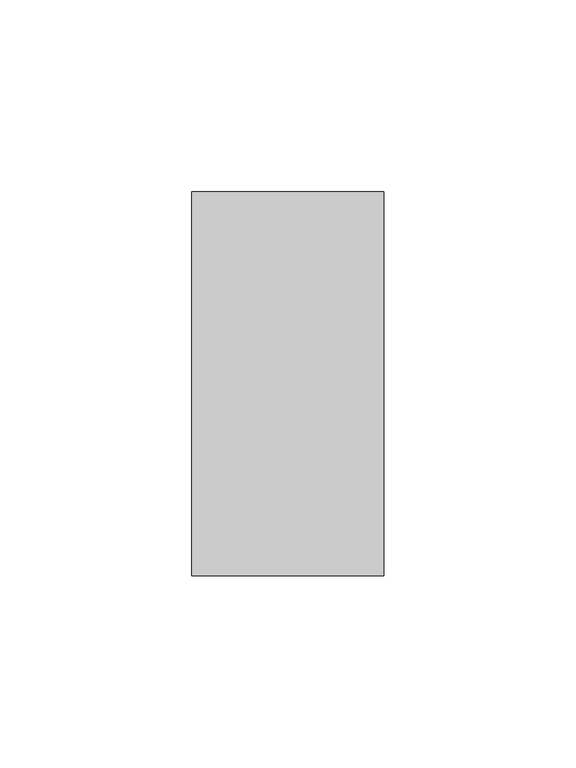
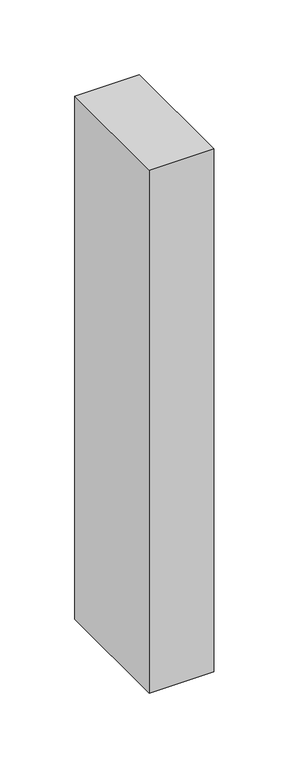
"""IFC4 building model written with IfcOpenShell, lengths in millimetres: member geometry."""

import ifcopenshell
import ifcopenshell.guid

model = None  # the IFC model being written
_history = None  # IfcOwnerHistory: only IFC2X3 demands one
_inside = {}  # id of a spatial element -> (the spatial element, [elements in it])
_under = {}  # id of a project, library or spatial element -> (it, [spatial elements below it])
_declared = {}  # id of a project -> (the project, [libraries it declares])
_typed = {}  # id of a type object -> (the type object, [elements of that type])
_made_of = {}  # id of a material, layer set ... -> (it, [elements and type objects made of it])


def new_model(schema):
    """Start an empty IFC model of exactly this schema.

    Asked for "IFC4X3", IfcOpenShell would pick the latest addendum, in which some entities
    have other attributes; the version numbers below select the first issue.
    IFC2X3 requires an IfcOwnerHistory on every rooted entity: one is made here for all.
    """
    global model, _history
    if schema == "IFC4X3":
        model = ifcopenshell.file(schema_version=(4, 3, 0, 0))
    else:
        model = ifcopenshell.file(schema=schema)
    _inside.clear()
    _under.clear()
    _declared.clear()
    _typed.clear()
    _made_of.clear()
    _history = None
    if model.schema == "IFC2X3":
        org = make("IfcOrganization", Name="unknown")
        user = make(
            "IfcPersonAndOrganization",
            ThePerson=make("IfcPerson", FamilyName="unknown"),
            TheOrganization=org,
        )
        app = make(
            "IfcApplication",
            ApplicationDeveloper=org,
            Version="unknown",
            ApplicationFullName="unknown",
            ApplicationIdentifier="unknown",
        )
        _history = make(
            "IfcOwnerHistory",
            OwningUser=user,
            OwningApplication=app,
            ChangeAction="ADDED",
            CreationDate=0,
        )
    return model


def make(cls, **values):
    """One entity of the class cls with the attributes given. An attribute that is None is left unset."""
    return model.create_entity(
        cls, **{name: value for name, value in values.items() if value is not None}
    )


def rooted(cls, **values):
    """An entity with a GlobalId (a new one), such as an element, a storey or a relation."""
    return make(cls, GlobalId=ifcopenshell.guid.new(), OwnerHistory=_history, **values)


def si_unit(unit_type, name, prefix=None):
    """IfcSIUnit, for example si_unit("LENGTHUNIT", "METRE", prefix="MILLI")."""
    return make("IfcSIUnit", UnitType=unit_type, Prefix=prefix, Name=name)


def assignment(units):
    """IfcUnitAssignment: the units of a project."""
    return None if units is None else make("IfcUnitAssignment", Units=units)


def point(xyz):
    """IfcCartesianPoint."""
    return None if xyz is None else make("IfcCartesianPoint", Coordinates=xyz)


def direction(xyz):
    """IfcDirection."""
    return None if xyz is None else make("IfcDirection", DirectionRatios=xyz)


def frame(location, z_axis=None, x_axis=None):
    """IfcAxis2Placement3D, a coordinate frame: its origin and axes. An axis left out is left unset."""
    return make(
        "IfcAxis2Placement3D",
        Location=point(location),
        Axis=direction(z_axis),
        RefDirection=direction(x_axis),
    )


def origin():
    """The frame at (0, 0, 0) with its axes left unset."""
    return frame((0.0, 0.0, 0.0))


def place(relative_to, where):
    """IfcLocalPlacement: puts the frame where relative to a parent placement (None: the world)."""
    return make(
        "IfcLocalPlacement", PlacementRelTo=relative_to, RelativePlacement=where
    )


def context(
    kind, dimensions, precision=None, world=None, true_north=None, identifier=None
):
    """IfcGeometricRepresentationContext, for example the 3D "Model" context."""
    return make(
        "IfcGeometricRepresentationContext",
        ContextIdentifier=identifier,
        ContextType=kind,
        CoordinateSpaceDimension=dimensions,
        Precision=precision,
        WorldCoordinateSystem=world,
        TrueNorth=true_north,
    )


def project(units=None, contexts=None):
    """IfcProject with its units and contexts."""
    return rooted(
        "IfcProject",
        Name="project",
        RepresentationContexts=contexts,
        UnitsInContext=assignment(units),
    )


def spatial(cls, under=None, at=None, **own):
    """A site, building, storey or space (cls), placed at a placement, below another one or the project."""
    s = rooted(cls, ObjectPlacement=at, **own)
    if under is not None:
        _under.setdefault(under.id(), (under, []))[1].append(s)
    return s


def polyline(points):
    """IfcPolyline through the points."""
    return make("IfcPolyline", Points=[point(p) for p in points])


def outline(outer, holes=None, kind="AREA"):
    """IfcArbitraryClosedProfileDef: a profile drawn as a closed curve; with holes, ...WithVoids."""
    if holes is None:
        return make("IfcArbitraryClosedProfileDef", ProfileType=kind, OuterCurve=outer)
    return make(
        "IfcArbitraryProfileDefWithVoids",
        ProfileType=kind,
        OuterCurve=outer,
        InnerCurves=holes,
    )


def extrude(swept, where, along, depth):
    """IfcExtrudedAreaSolid: the profile swept, set in the frame where, extruded along a direction by depth."""
    return make(
        "IfcExtrudedAreaSolid",
        SweptArea=swept,
        Position=where,
        ExtrudedDirection=direction(along),
        Depth=depth,
    )


def shape(context_of_items, identifier, shape_type, items):
    """IfcShapeRepresentation: the items that make up one representation, for example the "Body"."""
    return make(
        "IfcShapeRepresentation",
        ContextOfItems=context_of_items,
        RepresentationIdentifier=identifier,
        RepresentationType=shape_type,
        Items=items,
    )


def source(mapping_origin, context_of_items, identifier, shape_type, items):
    """IfcRepresentationMap: a shape defined once, which mapped items show again and again."""
    return make(
        "IfcRepresentationMap",
        MappingOrigin=mapping_origin,
        MappedRepresentation=shape(context_of_items, identifier, shape_type, items),
    )


def transform(
    local_origin,
    x_axis=None,
    y_axis=None,
    z_axis=None,
    scale=None,
    scale2=None,
    scale3=None,
    uniform=True,
):
    """IfcCartesianTransformationOperator3D, or its non-uniform kind. x_axis, y_axis, z_axis: its Axis1, 2, 3."""
    if uniform:
        return make(
            "IfcCartesianTransformationOperator3D",
            Axis1=direction(x_axis),
            Axis2=direction(y_axis),
            LocalOrigin=point(local_origin),
            Scale=scale,
            Axis3=direction(z_axis),
        )
    return make(
        "IfcCartesianTransformationOperator3DnonUniform",
        Axis1=direction(x_axis),
        Axis2=direction(y_axis),
        LocalOrigin=point(local_origin),
        Scale=scale,
        Axis3=direction(z_axis),
        Scale2=scale2,
        Scale3=scale3,
    )


def mapped(mapping_source, mapping_target):
    """IfcMappedItem: shows the shape of a source again, moved by a transform."""
    return make(
        "IfcMappedItem", MappingSource=mapping_source, MappingTarget=mapping_target
    )


def made_of(thing, what):
    """Note that an element or type object is made of a material, layer set ...; save() writes the relation."""
    if what is not None:
        _made_of.setdefault(what.id(), (what, []))[1].append(thing)
    return thing


def element(
    cls,
    number,
    at=None,
    inside=None,
    cuts=None,
    type_object=None,
    material=None,
    context=None,
    identifier="Body",
    shape_type=None,
    held_by="IfcProductDefinitionShape",
    body=None,
    shapes=None,
    **own,
):
    """One element of the class cls, such as IfcWall. Its Tag is "e" and its number.

    at: its placement. inside: the storey or other place that contains it. cuts: it is an
    opening in that element (IfcRelVoidsElement). A single representation is given by context,
    identifier, shape_type and body (its items); several are given by shapes. held_by: the class
    of the entity that holds the representations. save() writes the other relations.
    """
    e = rooted(cls, Tag="e%d" % number, ObjectPlacement=at, **own)
    if body is not None:
        shapes = [shape(context, identifier, shape_type, body)]
    if shapes is not None:
        e.Representation = make(held_by, Representations=shapes)
    if inside is not None:
        _inside.setdefault(inside.id(), (inside, []))[1].append(e)
    if cuts is not None:
        rooted(
            "IfcRelVoidsElement", RelatingBuildingElement=cuts, RelatedOpeningElement=e
        )
    if type_object is not None:
        _typed.setdefault(type_object.id(), (type_object, []))[1].append(e)
    return made_of(e, material)


def aggregate(whole, parts):
    """IfcRelAggregates: a whole, such as a stair, and the parts it consists of."""
    return rooted("IfcRelAggregates", RelatingObject=whole, RelatedObjects=parts)


def save(model, path):
    """Write the relations noted so far, then the file.

    IfcRelAggregates (storeys below a building ...), IfcRelContainedInSpatialStructure (elements
    in a storey), IfcRelDefinesByType, IfcRelAssociatesMaterial and IfcRelDeclares: one each for
    every whole, place, type object, material and project.
    """
    for whole, parts in _under.values():
        aggregate(whole, parts)
    for where, things in _inside.values():
        rooted(
            "IfcRelContainedInSpatialStructure",
            RelatedElements=things,
            RelatingStructure=where,
        )
    for kind, things in _typed.values():
        rooted("IfcRelDefinesByType", RelatedObjects=things, RelatingType=kind)
    for what, things in _made_of.values():
        rooted("IfcRelAssociatesMaterial", RelatedObjects=things, RelatingMaterial=what)
    for by, libraries in _declared.values():
        rooted("IfcRelDeclares", RelatingContext=by, RelatedDefinitions=libraries)
    model.write(path)


def member_06073933(model_context):
    return source(origin(), model_context, "Body", "SweptSolid", [
        extrude(outline(polyline([(25.0, 50.0), (25.0, -50.0), (-25.0, -50.0), (-25.0, 50.0), (25.0, 50.0)])), frame((0.0, 0.0, -427.7324119), z_axis=(0.0, 0.0, 1.0), x_axis=(1.0, 0.0, 0.0)), (0.0, 0.0, 1.0), 427.7324119),
    ])


if __name__ == "__main__":
    model = new_model("IFC4")
    model_context = context("Model", 3, world=origin())
    ifc_project = project(units=[si_unit("LENGTHUNIT", "METRE", prefix="MILLI")], contexts=[model_context])
    site = spatial("IfcSite", under=ifc_project)
    building = spatial("IfcBuilding", under=site)
    placement = place(None, origin())
    member_shape = member_06073933(model_context)
    element("IfcMember", 1, at=placement, inside=building, context=model_context, shape_type="MappedRepresentation", body=[
        mapped(member_shape, transform((0.0, 0.0, 0.0), x_axis=(1.0, 0.0, 0.0), y_axis=(0.0, 1.0, 0.0), z_axis=(0.0, 0.0, 1.0))),
    ])
    save(model, "model.ifc")
